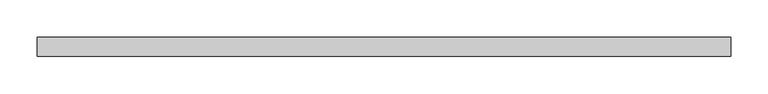
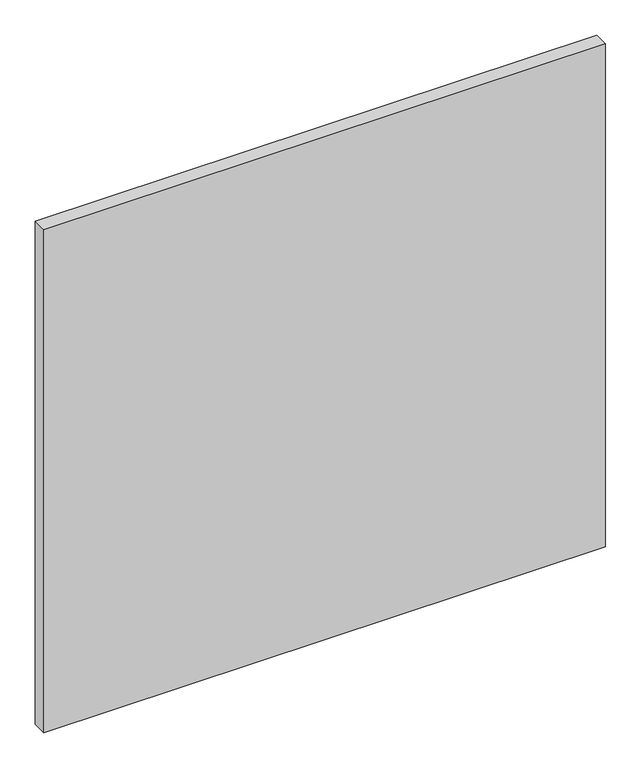
"""IFC4 building model written with IfcOpenShell, lengths in millimetres: plate geometry."""

from ifc_helpers import new_model, si_unit, origin, origin_with_axes, place, context, project, spatial, polyline, outline, extrude, source, transform, mapped, element, save


def plate_7aae953a(model_context):
    return source(origin(), model_context, "Body", "SweptSolid", [
        extrude(outline(polyline([(462.5, -49.5), (-462.5, -49.5), (-462.5, -24.5), (462.5, -24.5), (462.5, -49.5)])), origin_with_axes(), (0.0, 0.0, 1.0), 875.0),
    ])


if __name__ == "__main__":
    model = new_model("IFC4")
    model_context = context("Model", 3, world=origin())
    ifc_project = project(units=[si_unit("LENGTHUNIT", "METRE", prefix="MILLI")], contexts=[model_context])
    site = spatial("IfcSite", under=ifc_project)
    building = spatial("IfcBuilding", under=site)
    placement = place(None, origin())
    plate_shape = plate_7aae953a(model_context)
    element("IfcPlate", 1, at=placement, inside=building, context=model_context, shape_type="MappedRepresentation", body=[
        mapped(plate_shape, transform((0.0, 0.0, 0.0), x_axis=(1.0, 0.0, 0.0), y_axis=(0.0, 1.0, 0.0), z_axis=(0.0, 0.0, 1.0))),
    ])
    save(model, "model.ifc")
